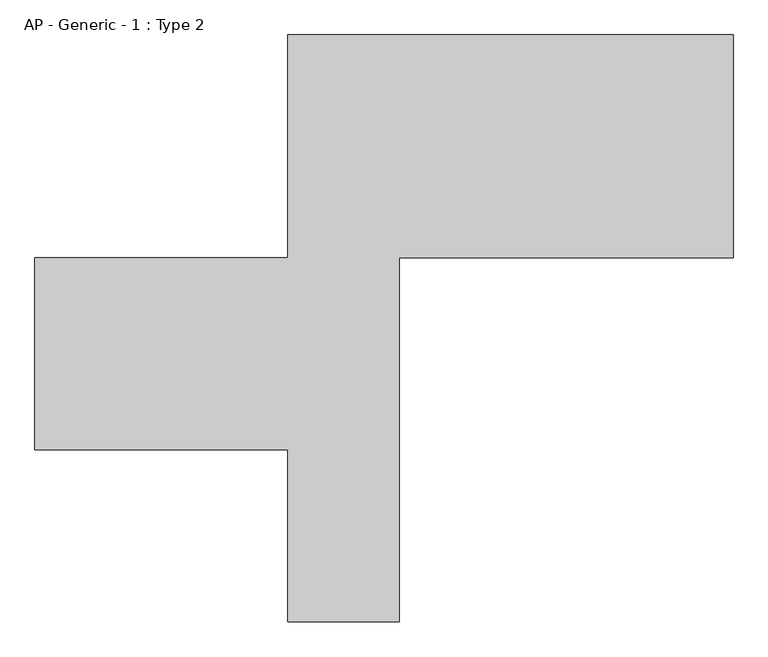
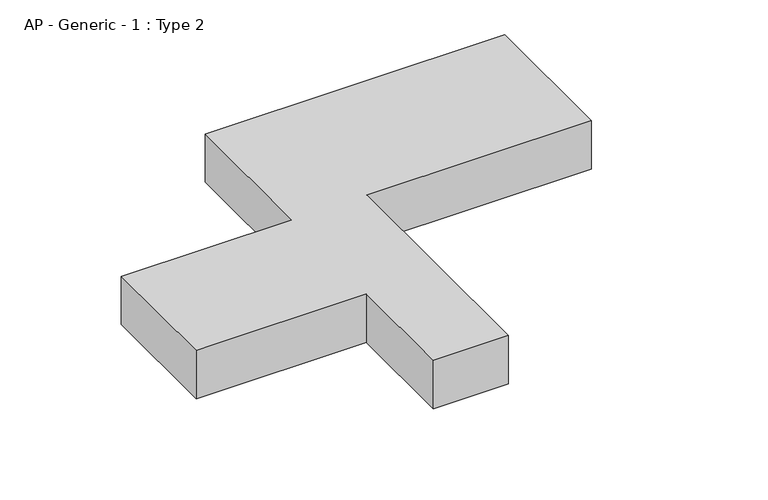
"""IFC4 building model written with IfcOpenShell, lengths in millimetres: proxy geometry, AP - Generic - 1 : Type 2."""

import ifcopenshell
import ifcopenshell.guid

model = None  # the IFC model being written
_history = None  # IfcOwnerHistory: only IFC2X3 demands one
_inside = {}  # id of a spatial element -> (the spatial element, [elements in it])
_under = {}  # id of a project, library or spatial element -> (it, [spatial elements below it])
_declared = {}  # id of a project -> (the project, [libraries it declares])
_typed = {}  # id of a type object -> (the type object, [elements of that type])
_made_of = {}  # id of a material, layer set ... -> (it, [elements and type objects made of it])


def new_model(schema):
    """Start an empty IFC model of exactly this schema.

    Asked for "IFC4X3", IfcOpenShell would pick the latest addendum, in which some entities
    have other attributes; the version numbers below select the first issue.
    IFC2X3 requires an IfcOwnerHistory on every rooted entity: one is made here for all.
    """
    global model, _history
    if schema == "IFC4X3":
        model = ifcopenshell.file(schema_version=(4, 3, 0, 0))
    else:
        model = ifcopenshell.file(schema=schema)
    _inside.clear()
    _under.clear()
    _declared.clear()
    _typed.clear()
    _made_of.clear()
    _history = None
    if model.schema == "IFC2X3":
        org = make("IfcOrganization", Name="unknown")
        user = make(
            "IfcPersonAndOrganization",
            ThePerson=make("IfcPerson", FamilyName="unknown"),
            TheOrganization=org,
        )
        app = make(
            "IfcApplication",
            ApplicationDeveloper=org,
            Version="unknown",
            ApplicationFullName="unknown",
            ApplicationIdentifier="unknown",
        )
        _history = make(
            "IfcOwnerHistory",
            OwningUser=user,
            OwningApplication=app,
            ChangeAction="ADDED",
            CreationDate=0,
        )
    return model


def make(cls, **values):
    """One entity of the class cls with the attributes given. An attribute that is None is left unset."""
    return model.create_entity(
        cls, **{name: value for name, value in values.items() if value is not None}
    )


def rooted(cls, **values):
    """An entity with a GlobalId (a new one), such as an element, a storey or a relation."""
    return make(cls, GlobalId=ifcopenshell.guid.new(), OwnerHistory=_history, **values)


def si_unit(unit_type, name, prefix=None):
    """IfcSIUnit, for example si_unit("LENGTHUNIT", "METRE", prefix="MILLI")."""
    return make("IfcSIUnit", UnitType=unit_type, Prefix=prefix, Name=name)


def assignment(units):
    """IfcUnitAssignment: the units of a project."""
    return None if units is None else make("IfcUnitAssignment", Units=units)


def point(xyz):
    """IfcCartesianPoint."""
    return None if xyz is None else make("IfcCartesianPoint", Coordinates=xyz)


def direction(xyz):
    """IfcDirection."""
    return None if xyz is None else make("IfcDirection", DirectionRatios=xyz)


def frame(location, z_axis=None, x_axis=None):
    """IfcAxis2Placement3D, a coordinate frame: its origin and axes. An axis left out is left unset."""
    return make(
        "IfcAxis2Placement3D",
        Location=point(location),
        Axis=direction(z_axis),
        RefDirection=direction(x_axis),
    )


def origin():
    """The frame at (0, 0, 0) with its axes left unset."""
    return frame((0.0, 0.0, 0.0))


def origin_with_axes():
    """The frame at (0, 0, 0) with the z axis (0, 0, 1) and the x axis (1, 0, 0) written out."""
    return frame((0.0, 0.0, 0.0), z_axis=(0.0, 0.0, 1.0), x_axis=(1.0, 0.0, 0.0))


def place(relative_to, where):
    """IfcLocalPlacement: puts the frame where relative to a parent placement (None: the world)."""
    return make(
        "IfcLocalPlacement", PlacementRelTo=relative_to, RelativePlacement=where
    )


def context(
    kind, dimensions, precision=None, world=None, true_north=None, identifier=None
):
    """IfcGeometricRepresentationContext, for example the 3D "Model" context."""
    return make(
        "IfcGeometricRepresentationContext",
        ContextIdentifier=identifier,
        ContextType=kind,
        CoordinateSpaceDimension=dimensions,
        Precision=precision,
        WorldCoordinateSystem=world,
        TrueNorth=true_north,
    )


def project(units=None, contexts=None):
    """IfcProject with its units and contexts."""
    return rooted(
        "IfcProject",
        Name="project",
        RepresentationContexts=contexts,
        UnitsInContext=assignment(units),
    )


def spatial(cls, under=None, at=None, **own):
    """A site, building, storey or space (cls), placed at a placement, below another one or the project."""
    s = rooted(cls, ObjectPlacement=at, **own)
    if under is not None:
        _under.setdefault(under.id(), (under, []))[1].append(s)
    return s


def polyline(points):
    """IfcPolyline through the points."""
    return make("IfcPolyline", Points=[point(p) for p in points])


def outline(outer, holes=None, kind="AREA"):
    """IfcArbitraryClosedProfileDef: a profile drawn as a closed curve; with holes, ...WithVoids."""
    if holes is None:
        return make("IfcArbitraryClosedProfileDef", ProfileType=kind, OuterCurve=outer)
    return make(
        "IfcArbitraryProfileDefWithVoids",
        ProfileType=kind,
        OuterCurve=outer,
        InnerCurves=holes,
    )


def extrude(swept, where, along, depth):
    """IfcExtrudedAreaSolid: the profile swept, set in the frame where, extruded along a direction by depth."""
    return make(
        "IfcExtrudedAreaSolid",
        SweptArea=swept,
        Position=where,
        ExtrudedDirection=direction(along),
        Depth=depth,
    )


def shape(context_of_items, identifier, shape_type, items):
    """IfcShapeRepresentation: the items that make up one representation, for example the "Body"."""
    return make(
        "IfcShapeRepresentation",
        ContextOfItems=context_of_items,
        RepresentationIdentifier=identifier,
        RepresentationType=shape_type,
        Items=items,
    )


def source(mapping_origin, context_of_items, identifier, shape_type, items):
    """IfcRepresentationMap: a shape defined once, which mapped items show again and again."""
    return make(
        "IfcRepresentationMap",
        MappingOrigin=mapping_origin,
        MappedRepresentation=shape(context_of_items, identifier, shape_type, items),
    )


def transform(
    local_origin,
    x_axis=None,
    y_axis=None,
    z_axis=None,
    scale=None,
    scale2=None,
    scale3=None,
    uniform=True,
):
    """IfcCartesianTransformationOperator3D, or its non-uniform kind. x_axis, y_axis, z_axis: its Axis1, 2, 3."""
    if uniform:
        return make(
            "IfcCartesianTransformationOperator3D",
            Axis1=direction(x_axis),
            Axis2=direction(y_axis),
            LocalOrigin=point(local_origin),
            Scale=scale,
            Axis3=direction(z_axis),
        )
    return make(
        "IfcCartesianTransformationOperator3DnonUniform",
        Axis1=direction(x_axis),
        Axis2=direction(y_axis),
        LocalOrigin=point(local_origin),
        Scale=scale,
        Axis3=direction(z_axis),
        Scale2=scale2,
        Scale3=scale3,
    )


def mapped(mapping_source, mapping_target):
    """IfcMappedItem: shows the shape of a source again, moved by a transform."""
    return make(
        "IfcMappedItem", MappingSource=mapping_source, MappingTarget=mapping_target
    )


def made_of(thing, what):
    """Note that an element or type object is made of a material, layer set ...; save() writes the relation."""
    if what is not None:
        _made_of.setdefault(what.id(), (what, []))[1].append(thing)
    return thing


def element(
    cls,
    number,
    at=None,
    inside=None,
    cuts=None,
    type_object=None,
    material=None,
    context=None,
    identifier="Body",
    shape_type=None,
    held_by="IfcProductDefinitionShape",
    body=None,
    shapes=None,
    **own,
):
    """One element of the class cls, such as IfcWall. Its Tag is "e" and its number.

    at: its placement. inside: the storey or other place that contains it. cuts: it is an
    opening in that element (IfcRelVoidsElement). A single representation is given by context,
    identifier, shape_type and body (its items); several are given by shapes. held_by: the class
    of the entity that holds the representations. save() writes the other relations.
    """
    e = rooted(cls, Tag="e%d" % number, ObjectPlacement=at, **own)
    if body is not None:
        shapes = [shape(context, identifier, shape_type, body)]
    if shapes is not None:
        e.Representation = make(held_by, Representations=shapes)
    if inside is not None:
        _inside.setdefault(inside.id(), (inside, []))[1].append(e)
    if cuts is not None:
        rooted(
            "IfcRelVoidsElement", RelatingBuildingElement=cuts, RelatedOpeningElement=e
        )
    if type_object is not None:
        _typed.setdefault(type_object.id(), (type_object, []))[1].append(e)
    return made_of(e, material)


def aggregate(whole, parts):
    """IfcRelAggregates: a whole, such as a stair, and the parts it consists of."""
    return rooted("IfcRelAggregates", RelatingObject=whole, RelatedObjects=parts)


def save(model, path):
    """Write the relations noted so far, then the file.

    IfcRelAggregates (storeys below a building ...), IfcRelContainedInSpatialStructure (elements
    in a storey), IfcRelDefinesByType, IfcRelAssociatesMaterial and IfcRelDeclares: one each for
    every whole, place, type object, material and project.
    """
    for whole, parts in _under.values():
        aggregate(whole, parts)
    for where, things in _inside.values():
        rooted(
            "IfcRelContainedInSpatialStructure",
            RelatedElements=things,
            RelatingStructure=where,
        )
    for kind, things in _typed.values():
        rooted("IfcRelDefinesByType", RelatedObjects=things, RelatingType=kind)
    for what, things in _made_of.values():
        rooted("IfcRelAssociatesMaterial", RelatedObjects=things, RelatingMaterial=what)
    for by, libraries in _declared.values():
        rooted("IfcRelDeclares", RelatingContext=by, RelatedDefinitions=libraries)
    model.write(path)


def ap_generic_1_type_2_2bc1072f(model_context):
    return source(origin(), model_context, "Body", "SweptSolid", [
        extrude(outline(polyline([(4400.0, 4100.0), (4400.0, 1900.0), (1100.0, 1900.0), (1100.0, -1700.0), (0.0, -1700.0), (0.0, 0.0), (-2500.0, 0.0), (-2500.0, 1900.0), (0.0, 1900.0), (0.0, 4100.0), (4400.0, 4100.0)])), origin_with_axes(), (0.0, 0.0, 1.0), 750.0),
    ])


if __name__ == "__main__":
    model = new_model("IFC4")
    model_context = context("Model", 3, world=origin())
    ifc_project = project(units=[si_unit("LENGTHUNIT", "METRE", prefix="MILLI")], contexts=[model_context])
    site = spatial("IfcSite", under=ifc_project)
    building = spatial("IfcBuilding", under=site)
    placement = place(None, origin())
    ap_generic_1_type_2_shape = ap_generic_1_type_2_2bc1072f(model_context)
    element("IfcBuildingElementProxy", 1, Name="AP - Generic - 1 : Type 2", ObjectType="AP - Generic - 1 : Type 2", at=placement, inside=building, context=model_context, shape_type="MappedRepresentation", body=[
        mapped(ap_generic_1_type_2_shape, transform((0.0, 0.0, 0.0), x_axis=(1.0, 0.0, 0.0), y_axis=(0.0, 1.0, 0.0), z_axis=(0.0, 0.0, 1.0))),
    ])
    save(model, "model.ifc")
